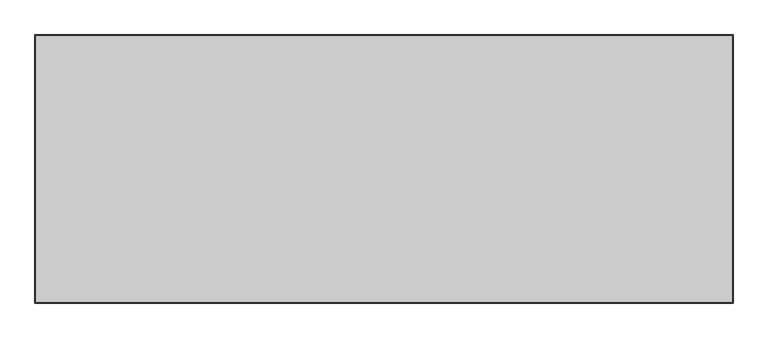
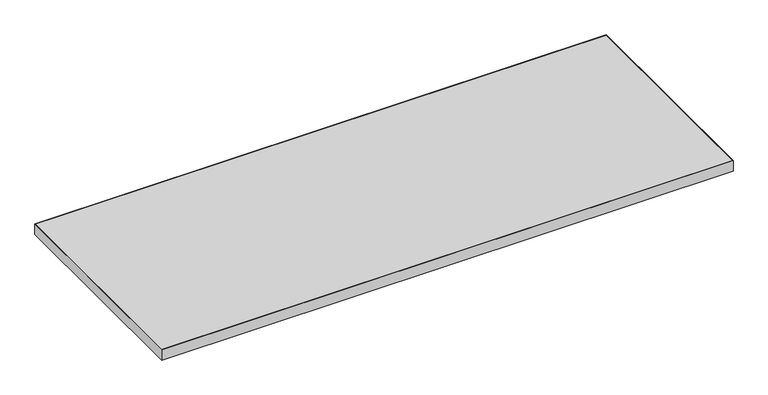
"""IFC4 building model written with IfcOpenShell, lengths in millimetres: furniture geometry."""

from ifc_helpers import new_model, si_unit, frame, origin, place, context, project, spatial, polyline, outline, extrude, source, transform, mapped, element, save


def furniture_bfd2c677(model_context):
    return source(origin(), model_context, "Body", "SweptSolid", [
        extrude(outline(polyline([(1056.7273996, 176.2916812), (-461.0242004, 176.2916812), (-461.0242004, 757.2912812), (1056.7273996, 757.2912812), (1056.7273996, 176.2916812)])), frame((0.0, 0.0, 707.0328125), z_axis=(0.0, 0.0, 1.0), x_axis=(1.0, 0.0, 0.0)), (0.0, 0.0, 1.0), 29.5671875),
        extrude(outline(polyline([(1058.3148996, 758.8787812), (1058.3148996, 174.7041812), (-462.6117004, 174.7041812), (-462.6117004, 758.8787812), (1058.3148996, 758.8787812)]), holes=[polyline([(-461.0242004, 757.2912812), (-461.0242004, 176.2916812), (1056.7273996, 176.2916812), (1056.7273996, 757.2912812), (-461.0242004, 757.2912812)])]), frame((0.0, 0.0, 707.009), z_axis=(0.0, 0.0, 1.0), x_axis=(1.0, 0.0, 0.0)), (0.0, 0.0, 1.0), 29.591),
    ])


if __name__ == "__main__":
    model = new_model("IFC4")
    model_context = context("Model", 3, world=origin())
    ifc_project = project(units=[si_unit("LENGTHUNIT", "METRE", prefix="MILLI")], contexts=[model_context])
    site = spatial("IfcSite", under=ifc_project)
    building = spatial("IfcBuilding", under=site)
    placement = place(None, origin())
    furniture_shape = furniture_bfd2c677(model_context)
    element("IfcFurniture", 1, at=placement, inside=building, context=model_context, shape_type="MappedRepresentation", body=[
        mapped(furniture_shape, transform((0.0, 0.0, 0.0), x_axis=(1.0, 0.0, 0.0), y_axis=(0.0, 1.0, 0.0), z_axis=(0.0, 0.0, 1.0))),
    ])
    save(model, "model.ifc")
